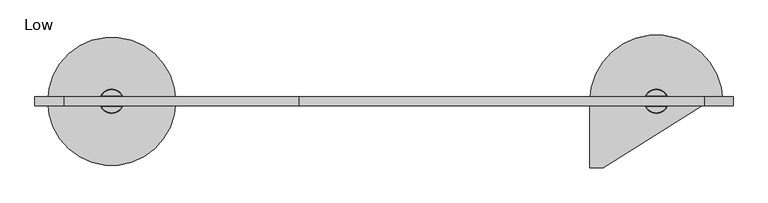
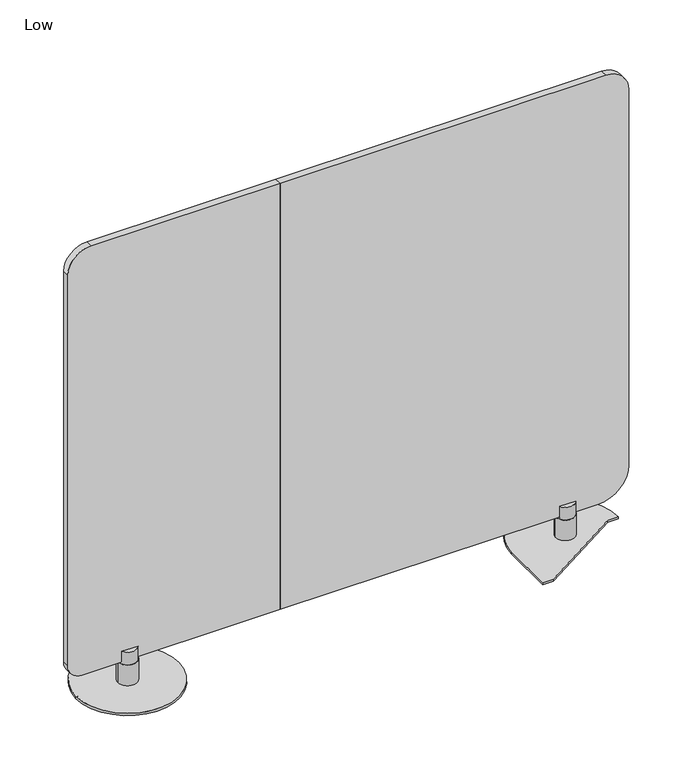
"""IFC4 building model written with IfcOpenShell, lengths in millimetres: furniture geometry, Low."""

from ifc_helpers import new_model, si_unit, point, frame, frame_2d, origin, origin_with_axes, place, context, project, spatial, polyline, circle_curve, trimmed, segment, composite_curve, outline, extrude, source, transform, mapped, element, save
from ifc_brep_helpers import plane_surface, cylinder_surface, advanced_brep


def low_b1486192(model_context):
    return source(origin(), model_context, "Body", "SolidModel", [
        extrude(outline(composite_curve([segment(trimmed(circle_curve(frame_2d((167.64, 120.65)), 12.7), [point((154.94, 120.65))], [point((180.34, 120.65))], False, "CARTESIAN"), True, "CONTINUOUS"), segment(trimmed(circle_curve(frame_2d((167.64, 120.65)), 12.7), [point((180.34, 120.65))], [point((154.94, 120.65))], False, "CARTESIAN"), True, "CONTINUOUS")], self_intersect=False)), origin_with_axes(), (0.0, 0.0, 1.0), 1.524),
        extrude(outline(composite_curve([segment(trimmed(circle_curve(frame_2d((288.29, 0.0)), 12.7), [point((275.59, 0.0))], [point((300.99, 0.0))], False, "CARTESIAN"), True, "CONTINUOUS"), segment(trimmed(circle_curve(frame_2d((288.29, 0.0)), 12.7), [point((300.99, 0.0))], [point((275.59, 0.0))], False, "CARTESIAN"), True, "CONTINUOUS")], self_intersect=False)), origin_with_axes(), (0.0, 0.0, 1.0), 1.524),
        extrude(outline(composite_curve([segment(trimmed(circle_curve(frame_2d((46.99, 0.0)), 12.7), [point((59.69, 0.0))], [point((34.29, 0.0))], False, "CARTESIAN"), True, "CONTINUOUS"), segment(trimmed(circle_curve(frame_2d((46.99, 0.0)), 12.7), [point((34.29, 0.0))], [point((59.69, 0.0))], False, "CARTESIAN"), True, "CONTINUOUS")], self_intersect=False)), origin_with_axes(), (0.0, 0.0, 1.0), 1.524),
        extrude(outline(composite_curve([segment(trimmed(circle_curve(frame_2d((167.64, -120.65)), 12.7), [point((154.94, -120.65))], [point((180.34, -120.65))], False, "CARTESIAN"), True, "CONTINUOUS"), segment(trimmed(circle_curve(frame_2d((167.64, -120.65)), 12.7), [point((180.34, -120.65))], [point((154.94, -120.65))], False, "CARTESIAN"), True, "CONTINUOUS")], self_intersect=False)), origin_with_axes(), (0.0, 0.0, 1.0), 1.524),
        advanced_brep(
        [(141.351, 0.0, 7.8738108), (193.929, 0.0, 7.8738108), (167.64, 0.0, 7.8738108), (141.351, 0.0, 67.1039066), (193.929, 0.0, 67.1039066), (189.6060094, 11.938, 102.874898), (145.6739906, 11.938, 102.874898), (145.6739906, -11.938, 102.874898), (189.6060094, -11.938, 102.874898), (192.6404282, 0.0, 67.1039066), (142.6395718, 0.0, 67.1039066), (142.6395718, 0.0, 71.12), (145.6739906, 11.938, 71.12), (189.6060094, 11.938, 71.12), (192.6404282, 0.0, 71.12), (189.6060094, -11.938, 71.12), (145.6739906, -11.938, 71.12)],
        [
            (0, 1, circle_curve(frame((167.64, 0.0, 7.8738108), z_axis=(0.0, 0.0, -1.0), x_axis=(1.0, 0.0, 0.0)), 26.289)),
            (1, 2),
            (2, 0),
            (1, 0, circle_curve(frame((167.64, 0.0, 7.8738108), z_axis=(0.0, 0.0, -1.0), x_axis=(1.0, 0.0, 0.0)), 26.289)),
            (0, 3),
            (3, 4, circle_curve(frame((167.64, 0.0, 67.1039066), z_axis=(0.0, 0.0, -1.0), x_axis=(1.0, 0.0, 0.0)), 26.289)),
            (4, 1),
            (4, 3, circle_curve(frame((167.64, 0.0, 67.1039066), z_axis=(0.0, 0.0, -1.0), x_axis=(1.0, 0.0, 0.0)), 26.289)),
            (5, 6, circle_curve(frame((167.64, 0.0, 102.874898), z_axis=(0.0, 0.0, 1.0), x_axis=(1.0, 0.0, 0.0)), 25.0004282)),
            (6, 5),
            (7, 8, circle_curve(frame((167.64, 0.0, 102.874898), z_axis=(0.0, 0.0, 1.0), x_axis=(1.0, 0.0, 0.0)), 25.0004282)),
            (8, 7),
            (9, 10, circle_curve(frame((167.64, 0.0, 67.1039066), z_axis=(0.0, 0.0, 1.0), x_axis=(1.0, 0.0, 0.0)), 25.0004282)),
            (10, 11),
            (11, 12, circle_curve(frame((167.64, 0.0, 71.12), z_axis=(0.0, 0.0, -1.0), x_axis=(1.0, 0.0, 0.0)), 25.0004282)),
            (12, 6),
            (5, 13),
            (13, 14, circle_curve(frame((167.64, 0.0, 71.12), z_axis=(0.0, 0.0, -1.0), x_axis=(1.0, 0.0, 0.0)), 25.0004282)),
            (14, 9),
            (10, 9, circle_curve(frame((167.64, 0.0, 67.1039066), z_axis=(0.0, 0.0, 1.0), x_axis=(1.0, 0.0, 0.0)), 25.0004282)),
            (14, 15, circle_curve(frame((167.64, 0.0, 71.12), z_axis=(0.0, 0.0, -1.0), x_axis=(1.0, 0.0, 0.0)), 25.0004282)),
            (15, 8),
            (7, 16),
            (16, 11, circle_curve(frame((167.64, 0.0, 71.12), z_axis=(0.0, 0.0, -1.0), x_axis=(1.0, 0.0, 0.0)), 25.0004282)),
            (15, 16),
            (13, 12),
            (3, 10),
            (9, 4),
        ],
        [
            plane_surface(frame((167.64, 0.0, 7.8738108), z_axis=(0.0, 0.0, -1.0), x_axis=(1.0, 0.0, 0.0))),
            cylinder_surface(frame((167.64, 0.0, 140.974898), z_axis=(0.0, 0.0, 1.0), x_axis=(1.0, 0.0, 0.0)), 26.289),
            plane_surface(frame((167.64, 0.0, 102.874898), z_axis=(0.0, 0.0, 1.0), x_axis=(1.0, 0.0, 0.0))),
            cylinder_surface(frame((167.64, 0.0, 140.974898), z_axis=(0.0, 0.0, 1.0), x_axis=(1.0, 0.0, 0.0)), 25.0004282),
            plane_surface(frame((218.44, -11.938, 102.874898), z_axis=(0.0, 1.0, 0.0), x_axis=(-1.0, 0.0, 0.0))),
            plane_surface(frame((218.44, -11.938, 71.12), z_axis=(0.0, 0.0, 1.0), x_axis=(-1.0, 0.0, 0.0))),
            plane_surface(frame((218.44, 11.938, 71.12), z_axis=(0.0, -1.0, 0.0), x_axis=(-1.0, 0.0, 0.0))),
            plane_surface(frame((167.64, 0.0, 67.1039066), z_axis=(0.0, 0.0, 1.0), x_axis=(1.0, 0.0, 0.0))),
        ],
        [
            (0, [[1, 2, 3]]),
            (0, [[-2, 4, -3]]),
            (1, [[-1, 5, 6, 7]]),
            (1, [[-4, -7, 8, -5]]),
            (2, [[9, 10]]),
            (2, [[11, 12]]),
            (3, [[13, 14, 15, 16, -9, 17, 18, 19]]),
            (3, [[20, -19, 21, 22, -11, 23, 24, -14]]),
            (4, [[25, -23, -12, -22]]),
            (5, [[-25, -21, -18, 26, -15, -24]]),
            (6, [[-26, -17, -10, -16]]),
            (7, [[-6, 27, -13, 28]]),
            (7, [[-8, -28, -20, -27]]),
        ],
    ),
        extrude(outline(composite_curve([segment(trimmed(circle_curve(frame_2d((167.64, 0.0)), 139.7), [point((27.94, 0.0))], [point((307.34, 0.0))], False, "CARTESIAN"), True, "CONTINUOUS"), segment(trimmed(circle_curve(frame_2d((167.64, 0.0)), 139.7), [point((307.34, 0.0))], [point((27.94, 0.0))], False, "CARTESIAN"), True, "CONTINUOUS")], self_intersect=False)), frame((0.0, 0.0, 1.524), z_axis=(0.0, 0.0, 1.0), x_axis=(1.0, 0.0, 0.0)), (0.0, 0.0, 1.0), 6.35),
        extrude(outline(composite_curve([segment(trimmed(circle_curve(frame_2d((1356.36, 120.65)), 12.7), [point((1369.06, 120.65))], [point((1343.66, 120.65))], False, "CARTESIAN"), True, "CONTINUOUS"), segment(trimmed(circle_curve(frame_2d((1356.36, 120.65)), 12.7), [point((1343.66, 120.65))], [point((1369.06, 120.65))], False, "CARTESIAN"), True, "CONTINUOUS")], self_intersect=False)), origin_with_axes(), (0.0, 0.0, 1.0), 1.524),
        extrude(outline(composite_curve([segment(trimmed(circle_curve(frame_2d((1235.71, 0.0)), 12.7), [point((1248.41, 0.0))], [point((1223.01, 0.0))], False, "CARTESIAN"), True, "CONTINUOUS"), segment(trimmed(circle_curve(frame_2d((1235.71, 0.0)), 12.7), [point((1223.01, 0.0))], [point((1248.41, 0.0))], False, "CARTESIAN"), True, "CONTINUOUS")], self_intersect=False)), origin_with_axes(), (0.0, 0.0, 1.0), 1.524),
        extrude(outline(composite_curve([segment(trimmed(circle_curve(frame_2d((1235.71, -116.3684151)), 12.7), [point((1248.41, -116.3684151))], [point((1223.01, -116.3684151))], False, "CARTESIAN"), True, "CONTINUOUS"), segment(trimmed(circle_curve(frame_2d((1235.71, -116.3684151)), 12.7), [point((1223.01, -116.3684151))], [point((1248.41, -116.3684151))], False, "CARTESIAN"), True, "CONTINUOUS")], self_intersect=False)), origin_with_axes(), (0.0, 0.0, 1.0), 1.524),
        extrude(outline(composite_curve([segment(trimmed(circle_curve(frame_2d((1474.373508, 25.0845455)), 12.7), [point((1477.0139865, 12.662071))], [point((1471.7330296, 37.50702))], False, "CARTESIAN"), True, "CONTINUOUS"), segment(trimmed(circle_curve(frame_2d((1474.373508, 25.0845455)), 12.7), [point((1471.7330296, 37.50702))], [point((1477.0139865, 12.662071))], False, "CARTESIAN"), True, "CONTINUOUS")], self_intersect=False)), origin_with_axes(), (0.0, 0.0, 1.0), 1.524),
        advanced_brep(
        [(1501.1741895, 0.0, 7.874), (1211.5458105, 0.0, 7.874), (1211.5454408, -144.78, 7.874), (1240.7967812, -144.78, 7.874), (1471.9641895, 0.0, 7.874), (1501.1741895, 0.0, 1.524), (1471.9641895, 0.0, 1.524), (1240.7967812, -144.78, 1.524), (1211.5454408, -144.78, 1.524), (1211.5454408, 0.0, 1.524)],
        [
            (0, 1, circle_curve(frame((1356.36, 0.0, 7.874), z_axis=(0.0, 0.0, 1.0), x_axis=(-1.0, 0.0, 0.0)), 144.8141895)),
            (1, 2),
            (2, 3),
            (3, 4),
            (4, 0),
            (5, 6),
            (6, 7),
            (7, 8),
            (8, 9),
            (9, 5, circle_curve(frame((1356.36, 0.0, 1.524), z_axis=(0.0, 0.0, -1.0), x_axis=(-1.0, 0.0, 0.0)), 144.8141895)),
            (4, 6),
            (5, 0),
            (2, 8),
            (7, 3),
            (1, 9),
        ],
        [
            plane_surface(frame((1579.8454408, 0.0, 7.874), z_axis=(0.0, 0.0, 1.0), x_axis=(-1.0, 0.0, 0.0))),
            plane_surface(frame((1579.8454408, 0.0, 1.524), z_axis=(0.0, 0.0, -1.0), x_axis=(1.0, 0.0, 0.0))),
            plane_surface(frame((1501.1741895, 0.0, 7.874), z_axis=(0.0, -1.0, 0.0), x_axis=(0.0, 0.0, -1.0))),
            plane_surface(frame((1240.7967812, -144.78, 7.874), z_axis=(0.0, -1.0, 0.0), x_axis=(0.0, 0.0, -1.0))),
            plane_surface(frame((1211.5454408, -144.78, 7.874), z_axis=(-1.0, 0.0, 0.0), x_axis=(0.0, 0.0, -1.0))),
            cylinder_surface(frame((1356.36, 0.0, 1.524), z_axis=(0.0, 0.0, 1.0), x_axis=(-1.0, 0.0, 0.0)), 144.8141895),
            plane_surface(frame((1471.9641895, 0.0, 7.874), z_axis=(0.5307905916660877, -0.8475030075455572, 0.0), x_axis=(0.0, 0.0, -1.0))),
        ],
        [
            (0, [[1, 2, 3, 4, 5]]),
            (1, [[6, 7, 8, 9, 10]]),
            (2, [[11, -6, 12, -5]]),
            (3, [[13, -8, 14, -3]]),
            (4, [[15, -9, -13, -2]]),
            (5, [[-12, -10, -15, -1]]),
            (6, [[-14, -7, -11, -4]]),
        ],
    ),
        advanced_brep(
        [(1382.649, 0.0, 7.8738108), (1356.36, 0.0, 7.8738108), (1330.071, 0.0, 7.8738108), (1330.071, 0.0, 67.1039066), (1382.649, 0.0, 67.1039066), (1334.3939906, 11.938, 102.874898), (1378.3260094, 11.938, 102.874898), (1378.3260094, -11.938, 102.874898), (1334.3939906, -11.938, 102.874898), (1331.3595718, 0.0, 67.1039066), (1331.3595718, 0.0, 71.12), (1334.3939906, 11.938, 71.12), (1378.3260094, 11.938, 71.12), (1381.3604282, 0.0, 71.12), (1381.3604282, 0.0, 67.1039066), (1378.3260094, -11.938, 71.12), (1334.3939906, -11.938, 71.12)],
        [
            (0, 1),
            (1, 2),
            (2, 0, circle_curve(frame((1356.36, 0.0, 7.8738108), z_axis=(0.0, 0.0, -1.0), x_axis=(-1.0, 0.0, 0.0)), 26.289)),
            (0, 2, circle_curve(frame((1356.36, 0.0, 7.8738108), z_axis=(0.0, 0.0, -1.0), x_axis=(-1.0, 0.0, 0.0)), 26.289)),
            (2, 3),
            (3, 4, circle_curve(frame((1356.36, 0.0, 67.1039066), z_axis=(0.0, 0.0, -1.0), x_axis=(-1.0, 0.0, 0.0)), 26.289)),
            (4, 0),
            (4, 3, circle_curve(frame((1356.36, 0.0, 67.1039066), z_axis=(0.0, 0.0, -1.0), x_axis=(-1.0, 0.0, 0.0)), 26.289)),
            (5, 6),
            (6, 5, circle_curve(frame((1356.36, 0.0, 102.874898), z_axis=(0.0, 0.0, 1.0), x_axis=(-1.0, 0.0, 0.0)), 25.0004282)),
            (7, 8),
            (8, 7, circle_curve(frame((1356.36, 0.0, 102.874898), z_axis=(0.0, 0.0, 1.0), x_axis=(-1.0, 0.0, 0.0)), 25.0004282)),
            (9, 10),
            (10, 11, circle_curve(frame((1356.36, 0.0, 71.12), z_axis=(0.0, 0.0, -1.0), x_axis=(-1.0, 0.0, 0.0)), 25.0004282)),
            (11, 5),
            (6, 12),
            (12, 13, circle_curve(frame((1356.36, 0.0, 71.12), z_axis=(0.0, 0.0, -1.0), x_axis=(-1.0, 0.0, 0.0)), 25.0004282)),
            (13, 14),
            (14, 9, circle_curve(frame((1356.36, 0.0, 67.1039066), z_axis=(0.0, 0.0, 1.0), x_axis=(-1.0, 0.0, 0.0)), 25.0004282)),
            (13, 15, circle_curve(frame((1356.36, 0.0, 71.12), z_axis=(0.0, 0.0, -1.0), x_axis=(-1.0, 0.0, 0.0)), 25.0004282)),
            (15, 7),
            (8, 16),
            (16, 10, circle_curve(frame((1356.36, 0.0, 71.12), z_axis=(0.0, 0.0, -1.0), x_axis=(-1.0, 0.0, 0.0)), 25.0004282)),
            (9, 14, circle_curve(frame((1356.36, 0.0, 67.1039066), z_axis=(0.0, 0.0, 1.0), x_axis=(-1.0, 0.0, 0.0)), 25.0004282)),
            (15, 16),
            (12, 11),
            (3, 9),
            (14, 4),
        ],
        [
            plane_surface(frame((1356.36, 0.0, 7.8738108), z_axis=(0.0, 0.0, -1.0), x_axis=(-1.0, 0.0, 0.0))),
            cylinder_surface(frame((1356.36, 0.0, 140.974898), z_axis=(0.0, 0.0, 1.0), x_axis=(-1.0, 0.0, 0.0)), 26.289),
            plane_surface(frame((1356.36, 0.0, 102.874898), z_axis=(0.0, 0.0, 1.0), x_axis=(-1.0, 0.0, 0.0))),
            cylinder_surface(frame((1356.36, 0.0, 140.974898), z_axis=(0.0, 0.0, 1.0), x_axis=(-1.0, 0.0, 0.0)), 25.0004282),
            plane_surface(frame((1305.56, -11.938, 102.874898), z_axis=(0.0, 1.0, 0.0), x_axis=(1.0, 0.0, 0.0))),
            plane_surface(frame((1305.56, -11.938, 71.12), z_axis=(0.0, 0.0, 1.0), x_axis=(1.0, 0.0, 0.0))),
            plane_surface(frame((1305.56, 11.938, 71.12), z_axis=(0.0, -1.0, 0.0), x_axis=(1.0, 0.0, 0.0))),
            plane_surface(frame((1356.36, 0.0, 67.1039066), z_axis=(0.0, 0.0, 1.0), x_axis=(-1.0, 0.0, 0.0))),
        ],
        [
            (0, [[1, 2, 3]]),
            (0, [[-1, 4, -2]]),
            (1, [[5, 6, 7, -3]]),
            (1, [[-7, 8, -5, -4]]),
            (2, [[9, 10]]),
            (2, [[11, 12]]),
            (3, [[13, 14, 15, -10, 16, 17, 18, 19]]),
            (3, [[-18, 20, 21, -12, 22, 23, -13, 24]]),
            (4, [[-22, -11, -21, 25]]),
            (5, [[-20, -17, 26, -14, -23, -25]]),
            (6, [[-16, -9, -15, -26]]),
            (7, [[27, -19, 28, -6]]),
            (7, [[-28, -24, -27, -8]]),
        ],
    ),
        extrude(outline(composite_curve([segment(polyline([(1295.4, 1460.5), (1295.4, 576.58), (71.12, 576.58), (71.12, 1441.0215765)]), True, "CONTINUOUS"), segment(trimmed(circle_curve(frame_2d((154.0984235, 1441.0215765)), 82.9784235), [point((71.12, 1441.0215765))], [point((154.0984235, 1524.0))], False, "CARTESIAN"), True, "CONTINUOUS"), segment(polyline([(154.0984235, 1524.0), (1231.9, 1524.0)]), True, "CONTINUOUS"), segment(trimmed(circle_curve(frame_2d((1231.9, 1460.5)), 63.5), [point((1231.9, 1524.0))], [point((1295.4, 1460.5))], False, "CARTESIAN"), True, "CONTINUOUS")], self_intersect=False)), frame((0.0, -9.525, 0.0), z_axis=(0.0, 1.0, 0.0), x_axis=(0.0, 0.0, 1.0)), (0.0, 0.0, 1.0), 19.05),
        extrude(outline(composite_curve([segment(trimmed(circle_curve(frame_2d((109.3078241, 38.1878241)), 38.1878241), [point((109.3078241, 0.0))], [point((71.12, 38.1878241))], False, "CARTESIAN"), True, "CONTINUOUS"), segment(polyline([(71.12, 38.1878241), (71.12, 576.58), (1295.4, 576.58), (1295.4, 63.5)]), True, "CONTINUOUS"), segment(trimmed(circle_curve(frame_2d((1231.9, 63.5)), 63.5), [point((1295.4, 63.5))], [point((1231.9, 0.0))], False, "CARTESIAN"), True, "CONTINUOUS"), segment(polyline([(1231.9, 0.0), (109.3078241, 0.0)]), True, "CONTINUOUS")], self_intersect=False)), frame((0.0, -9.525, 0.0), z_axis=(0.0, 1.0, 0.0), x_axis=(0.0, 0.0, 1.0)), (0.0, 0.0, 1.0), 19.05),
    ])


if __name__ == "__main__":
    model = new_model("IFC4")
    model_context = context("Model", 3, world=origin())
    ifc_project = project(units=[si_unit("LENGTHUNIT", "METRE", prefix="MILLI")], contexts=[model_context])
    site = spatial("IfcSite", under=ifc_project)
    building = spatial("IfcBuilding", under=site)
    placement = place(None, origin())
    low_shape = low_b1486192(model_context)
    element("IfcFurniture", 1, ObjectType="Low", at=placement, inside=building, context=model_context, shape_type="MappedRepresentation", body=[
        mapped(low_shape, transform((0.0, 0.0, 0.0), x_axis=(1.0, 0.0, 0.0), y_axis=(0.0, 1.0, 0.0), z_axis=(0.0, 0.0, 1.0))),
    ])
    save(model, "model.ifc")
